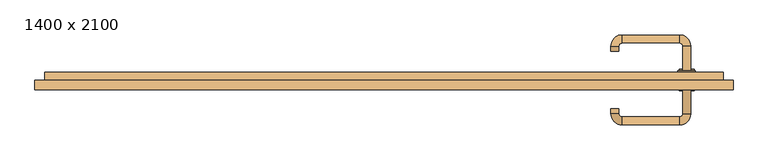
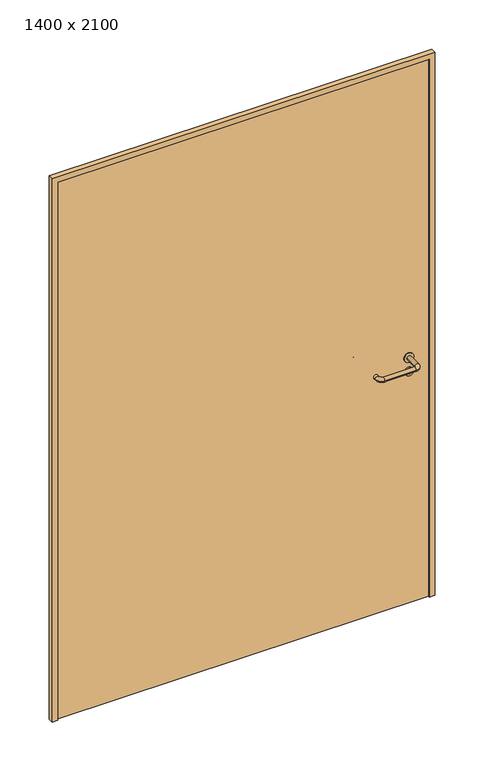
"""IFC4 building model written with IfcOpenShell, lengths in millimetres: door geometry, 1400 x 2100."""

from ifc_helpers import new_model, si_unit, point, frame, frame_2d, origin, origin_with_axes, place, context, project, spatial, polyline, circle_curve, ellipse_curve, trimmed, segment, composite_curve, outline, extrude, source, transform, mapped, element, save
from ifc_brep_helpers import plane_surface, cylinder_surface, revolved_surface, advanced_brep


def door_1400_x_2100_926dac29(model_context):
    return source(origin(), model_context, "Body", "SolidModel", [
        extrude(outline(composite_curve([segment(trimmed(circle_curve(frame_2d((897.3605726, 607.0)), 15.0), [point((897.3605726, 622.0))], [point((897.3605726, 592.0))], False, "CARTESIAN"), True, "CONTINUOUS"), segment(trimmed(circle_curve(frame_2d((897.3605726, 607.0)), 15.0), [point((897.3605726, 592.0))], [point((897.3605726, 622.0))], False, "CARTESIAN"), True, "CONTINUOUS")], self_intersect=False), holes=[composite_curve([segment(trimmed(circle_curve(frame_2d((892.5833211, 606.9398032)), 2.0), [point((892.5833211, 608.9398032))], [point((892.5833211, 604.9398032))], True, "CARTESIAN"), True, "CONTINUOUS"), segment(polyline([(892.5833211, 604.9398032), (902.5833211, 604.9398032)]), True, "CONTINUOUS"), segment(trimmed(circle_curve(frame_2d((902.5833211, 606.9398032)), 2.0), [point((902.5833211, 604.9398032))], [point((902.5833211, 608.9398032))], True, "CARTESIAN"), True, "CONTINUOUS"), segment(polyline([(902.5833211, 608.9398032), (892.5833211, 608.9398032)]), True, "CONTINUOUS")], self_intersect=False)]), frame((0.0, 25.0, 0.0), z_axis=(0.0, 1.0, 0.0), x_axis=(0.0, 0.0, 1.0)), (0.0, 0.0, 1.0), 6.35),
        extrude(outline(composite_curve([segment(trimmed(circle_curve(frame_2d((950.0, 607.0)), 17.526), [point((950.0, 624.526))], [point((950.0, 589.474))], False, "CARTESIAN"), True, "CONTINUOUS"), segment(trimmed(circle_curve(frame_2d((950.0, 607.0)), 17.526), [point((950.0, 589.474))], [point((950.0, 624.526))], False, "CARTESIAN"), True, "CONTINUOUS")], self_intersect=False)), frame((0.0, 25.0, 0.0), z_axis=(0.0, 1.0, 0.0), x_axis=(0.0, 0.0, 1.0)), (0.0, 0.0, 1.0), 3.175),
        advanced_brep(
        [(615.0, 25.0, 950.0), (599.0, 25.0, 950.0), (615.0, 78.0, 950.0), (599.0, 78.0, 950.0), (592.8578644, 84.1421356, 950.0), (592.8578644, 100.1421356, 950.0), (477.8578644, 100.1421356, 950.0), (477.8578644, 84.1421356, 950.0), (471.008622, 77.2928932, 950.0), (455.008622, 77.2928932, 950.0), (455.008622, 67.2928932, 950.0), (471.008622, 67.2928932, 950.0)],
        [
            (0, 1, circle_curve(frame((607.0, 25.0, 950.0), z_axis=(0.0, -1.0, 0.0), x_axis=(-1.0, 0.0, 0.0)), 8.0)),
            (1, 0, circle_curve(frame((607.0, 25.0, 950.0), z_axis=(0.0, -1.0, 0.0), x_axis=(-1.0, 0.0, 0.0)), 8.0)),
            (0, 2),
            (2, 3, circle_curve(frame((607.0, 78.0, 950.0), z_axis=(0.0, -1.0, 0.0), x_axis=(-1.0, 0.0, 0.0)), 8.0)),
            (3, 1),
            (3, 2, circle_curve(frame((607.0, 78.0, 950.0), z_axis=(0.0, -1.0, 0.0), x_axis=(-1.0, 0.0, 0.0)), 8.0)),
            (4, 3, circle_curve(frame((592.8578644, 78.0, 950.0), z_axis=(0.0, 0.0, -1.0), x_axis=(1.0, 0.0, 0.0)), 6.1421356)),
            (2, 5, circle_curve(frame((592.8578644, 78.0, 950.0), z_axis=(0.0, 0.0, 1.0), x_axis=(1.0, 0.0, 0.0)), 22.1421356)),
            (5, 4, circle_curve(frame((592.8578644, 92.1421356, 950.0), z_axis=(1.0, 0.0, 0.0), x_axis=(0.0, -1.0, 0.0)), 8.0)),
            (4, 5, circle_curve(frame((592.8578644, 92.1421356, 950.0), z_axis=(1.0, 0.0, 0.0), x_axis=(0.0, -1.0, 0.0)), 8.0)),
            (5, 6),
            (6, 7, circle_curve(frame((477.8578644, 92.1421356, 950.0), z_axis=(1.0, 0.0, 0.0), x_axis=(0.0, -1.0, 0.0)), 8.0)),
            (7, 4),
            (7, 6, circle_curve(frame((477.8578644, 92.1421356, 950.0), z_axis=(1.0, 0.0, 0.0), x_axis=(0.0, -1.0, 0.0)), 8.0)),
            (8, 7, circle_curve(frame((477.8578644, 77.2928932, 950.0), z_axis=(0.0, 0.0, -1.0), x_axis=(0.0, 1.0, 0.0)), 6.8492424)),
            (6, 9, circle_curve(frame((477.8578644, 77.2928932, 950.0), z_axis=(0.0, 0.0, 1.0), x_axis=(0.0, 1.0, 0.0)), 22.8492424)),
            (9, 8, circle_curve(frame((463.008622, 77.2928932, 950.0), z_axis=(0.0, 1.0, 0.0), x_axis=(1.0, 0.0, 0.0)), 8.0)),
            (8, 9, circle_curve(frame((463.008622, 77.2928932, 950.0), z_axis=(0.0, 1.0, 0.0), x_axis=(1.0, 0.0, 0.0)), 8.0)),
            (10, 11, circle_curve(frame((463.008622, 67.2928932, 950.0), z_axis=(0.0, -1.0, 0.0), x_axis=(1.0, 0.0, 0.0)), 8.0)),
            (11, 10, circle_curve(frame((463.008622, 67.2928932, 950.0), z_axis=(0.0, -1.0, 0.0), x_axis=(1.0, 0.0, 0.0)), 8.0)),
            (9, 10),
            (11, 8),
        ],
        [
            plane_surface(frame((607.0, 25.0, 0.0), z_axis=(0.0, -1.0, 0.0), x_axis=(0.0, 0.0, 1.0))),
            cylinder_surface(frame((607.0, 25.0, 950.0), z_axis=(0.0, -1.0, 0.0), x_axis=(-1.0, 0.0, 0.0)), 8.0),
            revolved_surface(trimmed(ellipse_curve(frame((607.0, 78.0, 950.0), z_axis=(0.0, -1.0, 0.0), x_axis=(-1.0, 0.0, 0.0)), 8.0, 8.0), [point((615.0, 78.0, 950.0))], [point((599.0, 78.0, 950.0))], True, "CARTESIAN"), (592.8578644, 78.0, 0.0), (0.0, 0.0, 1.0)),
            revolved_surface(trimmed(ellipse_curve(frame((607.0, 78.0, 950.0), z_axis=(0.0, -1.0, 0.0), x_axis=(-1.0, 0.0, 0.0)), 8.0, 8.0), [point((599.0, 78.0, 950.0))], [point((615.0, 78.0, 950.0))], True, "CARTESIAN"), (592.8578644, 78.0, 0.0), (0.0, 0.0, 1.0)),
            cylinder_surface(frame((592.8578644, 92.1421356, 950.0), z_axis=(1.0, 0.0, 0.0), x_axis=(0.0, -1.0, 0.0)), 8.0),
            revolved_surface(trimmed(ellipse_curve(frame((477.8578644, 92.1421356, 950.0), z_axis=(1.0, 0.0, 0.0), x_axis=(0.0, -1.0, 0.0)), 8.0, 8.0), [point((477.8578644, 100.1421356, 950.0))], [point((477.8578644, 84.1421356, 950.0))], True, "CARTESIAN"), (477.8578644, 77.2928932, 0.0), (0.0, 0.0, 1.0)),
            revolved_surface(trimmed(ellipse_curve(frame((477.8578644, 92.1421356, 950.0), z_axis=(1.0, 0.0, 0.0), x_axis=(0.0, -1.0, 0.0)), 8.0, 8.0), [point((477.8578644, 84.1421356, 950.0))], [point((477.8578644, 100.1421356, 950.0))], True, "CARTESIAN"), (477.8578644, 77.2928932, 0.0), (0.0, 0.0, 1.0)),
            plane_surface(frame((463.008622, 67.2928932, 0.0), z_axis=(0.0, -1.0, 0.0), x_axis=(0.0, 0.0, 1.0))),
            cylinder_surface(frame((463.008622, 77.2928932, 950.0), z_axis=(0.0, 1.0, 0.0), x_axis=(1.0, 0.0, 0.0)), 8.0),
        ],
        [
            (0, [[1, 2]]),
            (1, [[-1, 3, 4, 5]]),
            (1, [[-2, -5, 6, -3]]),
            (2, [[7, -4, 8, 9]]),
            (3, [[-8, -6, -7, 10]]),
            (4, [[-9, 11, 12, 13]]),
            (4, [[-10, -13, 14, -11]]),
            (5, [[15, -12, 16, 17]]),
            (6, [[-16, -14, -15, 18]]),
            (7, [[19, 20]]),
            (8, [[-17, 21, -20, 22]]),
            (8, [[-18, -22, -19, -21]]),
        ],
    ),
        extrude(outline(composite_curve([segment(trimmed(circle_curve(frame_2d((0.0, 15.0)), 15.0), [point((0.0, 30.0))], [point((0.0, 0.0))], False, "CARTESIAN"), True, "CONTINUOUS"), segment(trimmed(circle_curve(frame_2d((0.0, 15.0)), 15.0), [point((0.0, 0.0))], [point((0.0, 30.0))], False, "CARTESIAN"), True, "CONTINUOUS")], self_intersect=False), holes=[composite_curve([segment(trimmed(circle_curve(frame_2d((-4.7772515, 14.9398032)), 2.0), [point((-4.7772515, 16.9398032))], [point((-4.7772515, 12.9398032))], True, "CARTESIAN"), True, "CONTINUOUS"), segment(polyline([(-4.7772515, 12.9398032), (5.2227485, 12.9398032)]), True, "CONTINUOUS"), segment(trimmed(circle_curve(frame_2d((5.2227485, 14.9398032)), 2.0), [point((5.2227485, 12.9398032))], [point((5.2227485, 16.9398032))], True, "CARTESIAN"), True, "CONTINUOUS"), segment(polyline([(5.2227485, 16.9398032), (-4.7772515, 16.9398032)]), True, "CONTINUOUS")], self_intersect=False)]), frame((592.0, -11.35, 897.3605726), z_axis=(-1.8870575173328306e-12, 1.0, 0.0), x_axis=(0.0, 0.0, 1.0)), (0.0, 0.0, 1.0), 6.35),
        extrude(outline(composite_curve([segment(trimmed(circle_curve(frame_2d((0.0, 17.526)), 17.526), [point((0.0, 35.052))], [point((0.0, 0.0))], False, "CARTESIAN"), True, "CONTINUOUS"), segment(trimmed(circle_curve(frame_2d((0.0, 17.526)), 17.526), [point((0.0, 0.0))], [point((0.0, 35.052))], False, "CARTESIAN"), True, "CONTINUOUS")], self_intersect=False)), frame((589.474, -8.175, 950.0), z_axis=(-1.8870575173328306e-12, 1.0, 0.0), x_axis=(0.0, 0.0, 1.0)), (0.0, 0.0, 1.0), 3.175),
        advanced_brep(
        [(615.0, -5.0, 950.0), (599.0, -5.0, 950.0), (599.0, -58.0, 950.0), (615.0, -58.0, 950.0), (592.8578644, -64.1421356, 950.0), (592.8578644, -80.1421356, 950.0), (477.8578644, -64.1421356, 950.0), (477.8578644, -80.1421356, 950.0), (471.008622, -57.2928932, 950.0), (455.008622, -57.2928932, 950.0), (455.008622, -47.2928932, 950.0), (471.008622, -47.2928932, 950.0)],
        [
            (0, 1, circle_curve(frame((607.0, -5.0, 950.0), z_axis=(-1.888672253512351e-12, 1.0, 0.0), x_axis=(-1.0, -1.888672253512351e-12, 0.0)), 8.0)),
            (1, 0, circle_curve(frame((607.0, -5.0, 950.0), z_axis=(-1.888672253512351e-12, 1.0, 0.0), x_axis=(-1.0, -1.888672253512351e-12, 0.0)), 8.0)),
            (1, 2),
            (2, 3, circle_curve(frame((607.0, -58.0, 950.0), z_axis=(-1.888672253512351e-12, 1.0, 0.0), x_axis=(-1.0, -1.888672253512351e-12, 0.0)), 8.0)),
            (3, 0),
            (3, 2, circle_curve(frame((607.0, -58.0, 950.0), z_axis=(-1.888672253512351e-12, 1.0, 0.0), x_axis=(-1.0, -1.888672253512351e-12, 0.0)), 8.0)),
            (4, 5, circle_curve(frame((592.8578644, -72.1421356, 950.0), z_axis=(1.0, 1.913702061528922e-12, 0.0), x_axis=(-1.913702061528922e-12, 1.0, 0.0)), 8.0)),
            (5, 3, circle_curve(frame((592.8578644, -58.0, 950.0), z_axis=(0.0, 0.0, 1.0), x_axis=(1.0, 1.880717803715015e-12, 0.0)), 22.1421356)),
            (2, 4, circle_curve(frame((592.8578644, -58.0, 950.0), z_axis=(0.0, 0.0, -1.0), x_axis=(1.0, 1.880717803715015e-12, 0.0)), 6.1421356)),
            (5, 4, circle_curve(frame((592.8578644, -72.1421356, 950.0), z_axis=(1.0, 1.913702061528922e-12, 0.0), x_axis=(-1.913702061528922e-12, 1.0, 0.0)), 8.0)),
            (4, 6),
            (6, 7, circle_curve(frame((477.8578644, -72.1421356, 950.0), z_axis=(1.0, 1.913719828541269e-12, 0.0), x_axis=(-1.913719828541269e-12, 1.0, 0.0)), 8.0)),
            (7, 5),
            (7, 6, circle_curve(frame((477.8578644, -72.1421356, 950.0), z_axis=(1.0, 1.913719828541269e-12, 0.0), x_axis=(-1.913719828541269e-12, 1.0, 0.0)), 8.0)),
            (8, 9, circle_curve(frame((463.008622, -57.2928932, 950.0), z_axis=(1.8888942981172756e-12, -1.0, 0.0), x_axis=(1.0, 1.8888942981172756e-12, 0.0)), 8.0)),
            (9, 7, circle_curve(frame((477.8578644, -57.2928932, 950.0), z_axis=(0.0, 0.0, 1.0), x_axis=(1.9120873253494017e-12, -1.0, 0.0)), 22.8492424)),
            (6, 8, circle_curve(frame((477.8578644, -57.2928932, 950.0), z_axis=(0.0, 0.0, -1.0), x_axis=(1.9120873253494017e-12, -1.0, 0.0)), 6.8492424)),
            (9, 8, circle_curve(frame((463.008622, -57.2928932, 950.0), z_axis=(1.890448610351751e-12, -1.0, 0.0), x_axis=(1.0, 1.890448610351751e-12, 0.0)), 8.0)),
            (10, 11, circle_curve(frame((463.008622, -47.2928932, 950.0), z_axis=(-1.8903642334018795e-12, 1.0, 0.0), x_axis=(1.0, 1.8903642334018795e-12, 0.0)), 8.0)),
            (11, 10, circle_curve(frame((463.008622, -47.2928932, 950.0), z_axis=(-1.8903642334018795e-12, 1.0, 0.0), x_axis=(1.0, 1.8903642334018795e-12, 0.0)), 8.0)),
            (8, 11),
            (10, 9),
        ],
        [
            plane_surface(frame((607.0, -5.0, 0.0), z_axis=(-1.8870575173328306e-12, 1.0, 0.0), x_axis=(0.0, 0.0, 1.0))),
            cylinder_surface(frame((607.0, -5.0, 950.0), z_axis=(-1.888672253512351e-12, 1.0, 0.0), x_axis=(-1.0, -1.888672253512351e-12, 0.0)), 8.0),
            revolved_surface(trimmed(ellipse_curve(frame((607.0, -58.0, 950.0), z_axis=(1.8823325398945356e-12, -1.0, 0.0), x_axis=(-1.0, -1.8823325398945356e-12, 0.0)), 8.0, 8.0), [point((615.0, -58.0, 950.0))], [point((599.0, -58.0, 950.0))], True, "CARTESIAN"), (592.8578644, -58.0, 0.0), (0.0, 0.0, 1.0)),
            revolved_surface(trimmed(ellipse_curve(frame((607.0, -58.0, 950.0), z_axis=(1.8823325398945356e-12, -1.0, 0.0), x_axis=(-1.0, -1.8823325398945356e-12, 0.0)), 8.0, 8.0), [point((599.0, -58.0, 950.0))], [point((615.0, -58.0, 950.0))], True, "CARTESIAN"), (592.8578644, -58.0, 0.0), (0.0, 0.0, 1.0)),
            cylinder_surface(frame((592.8578644, -72.1421356, 950.0), z_axis=(1.0, 1.913719828541269e-12, 0.0), x_axis=(-1.913719828541269e-12, 1.0, 0.0)), 8.0),
            revolved_surface(trimmed(ellipse_curve(frame((477.8578644, -72.1421356, 950.0), z_axis=(-1.0, -1.913702061528922e-12, 0.0), x_axis=(-1.913702061528922e-12, 1.0, 0.0)), 8.0, 8.0), [point((477.8578644, -80.1421356, 950.0))], [point((477.8578644, -64.1421356, 950.0))], True, "CARTESIAN"), (477.8578644, -57.2928932, 0.0), (0.0, 0.0, 1.0)),
            revolved_surface(trimmed(ellipse_curve(frame((477.8578644, -72.1421356, 950.0), z_axis=(-1.0, -1.913702061528922e-12, 0.0), x_axis=(-1.913702061528922e-12, 1.0, 0.0)), 8.0, 8.0), [point((477.8578644, -64.1421356, 950.0))], [point((477.8578644, -80.1421356, 950.0))], True, "CARTESIAN"), (477.8578644, -57.2928932, 0.0), (0.0, 0.0, 1.0)),
            plane_surface(frame((463.008622, -47.2928932, 0.0), z_axis=(-1.8887494972223595e-12, 1.0, 0.0), x_axis=(0.0, 0.0, 1.0))),
            cylinder_surface(frame((463.008622, -57.2928932, 950.0), z_axis=(1.8903642334018795e-12, -1.0, 0.0), x_axis=(1.0, 1.8903642334018795e-12, 0.0)), 8.0),
        ],
        [
            (0, [[1, 2]]),
            (1, [[3, 4, 5, -2]]),
            (1, [[-5, 6, -3, -1]]),
            (2, [[7, 8, -4, 9]]),
            (3, [[10, -9, -6, -8]]),
            (4, [[11, 12, 13, -7]]),
            (4, [[-13, 14, -11, -10]]),
            (5, [[15, 16, -12, 17]]),
            (6, [[18, -17, -14, -16]]),
            (7, [[19, 20]]),
            (8, [[21, -19, 22, -15]]),
            (8, [[-22, -20, -21, -18]]),
        ],
    ),
        extrude(outline(polyline([(2080.0, 680.0), (0.0, 680.0), (0.0, 700.0), (2100.0, 700.0), (2100.0, -700.0), (0.0, -700.0), (0.0, -680.0), (2080.0, -680.0), (2080.0, 680.0)])), frame((0.0, -10.0, 0.0), z_axis=(0.0, 1.0, 0.0), x_axis=(0.0, 0.0, 1.0)), (0.0, 0.0, 1.0), 19.0),
        extrude(outline(polyline([(-680.0, -5.0), (-680.0, 25.0), (680.0, 25.0), (680.0, -5.0), (-680.0, -5.0)])), origin_with_axes(), (0.0, 0.0, 1.0), 2080.0),
    ])


if __name__ == "__main__":
    model = new_model("IFC4")
    model_context = context("Model", 3, world=origin())
    ifc_project = project(units=[si_unit("LENGTHUNIT", "METRE", prefix="MILLI")], contexts=[model_context])
    site = spatial("IfcSite", under=ifc_project)
    building = spatial("IfcBuilding", under=site)
    placement = place(None, origin())
    door_1400_x_2100_shape = door_1400_x_2100_926dac29(model_context)
    element("IfcDoor", 1, ObjectType="1400 x 2100", at=placement, inside=building, context=model_context, shape_type="MappedRepresentation", body=[
        mapped(door_1400_x_2100_shape, transform((0.0, 0.0, 0.0), x_axis=(1.0, 0.0, 0.0), y_axis=(0.0, 1.0, 0.0), z_axis=(0.0, 0.0, 1.0))),
    ])
    save(model, "model.ifc")
